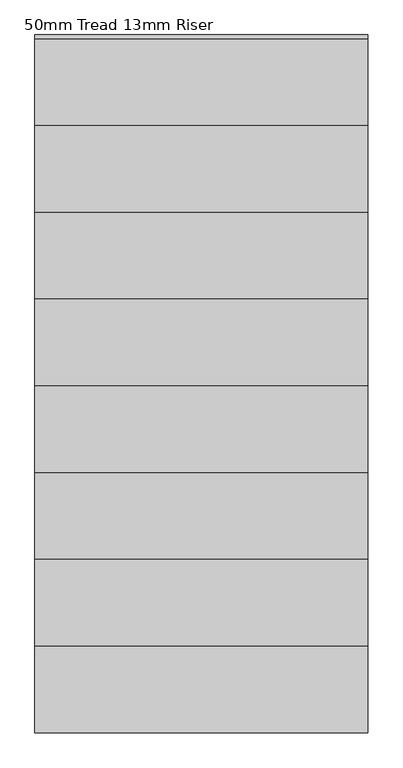
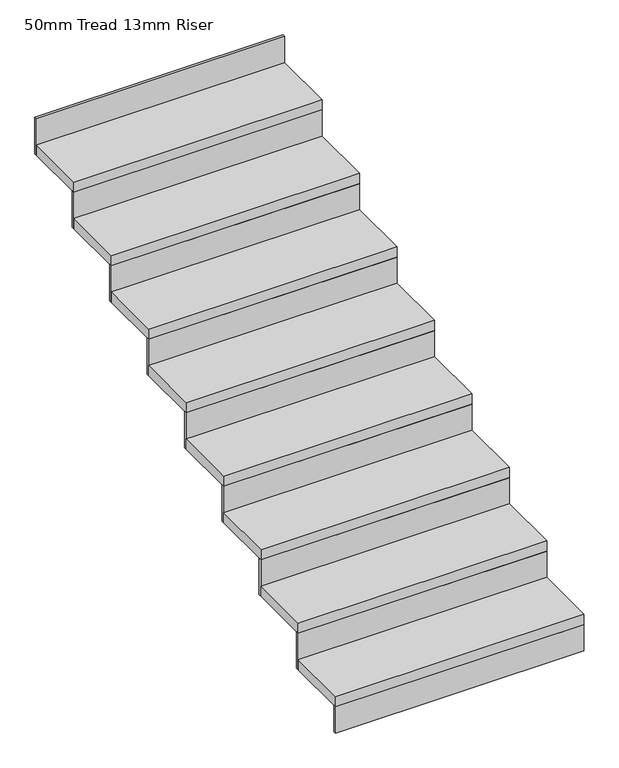
"""IFC4 building model written with IfcOpenShell, lengths in millimetres: stair flight geometry, 50mm Tread 13mm Riser."""

from ifc_helpers import new_model, si_unit, frame, origin, place, context, project, spatial, polyline, outline, extrude, source, transform, mapped, element, save


def stair_flight_50mm_tread_13mm_riser_401b6e1f(model_context):
    return source(origin(), model_context, "Body", "SweptSolid", [
        extrude(outline(polyline([(1545.5456242, -11461.1525014), (1545.5456242, -11473.6525014), (395.5456243, -11473.6525014), (395.5456243, -11461.1525014), (1545.5456242, -11461.1525014)])), frame((0.0, 0.0, -3200.0), z_axis=(0.0, 0.0, 1.0), x_axis=(1.0, 0.0, 0.0)), (0.0, 0.0, 1.0), 127.7777778),
        extrude(outline(polyline([(395.5456243, -11173.6525014), (1545.5456242, -11173.6525014), (1545.5456242, -11473.6525014), (395.5456243, -11473.6525014), (395.5456243, -11173.6525014)])), frame((0.0, 0.0, -3072.2222222), z_axis=(0.0, 0.0, 1.0), x_axis=(1.0, 0.0, 0.0)), (0.0, 0.0, 1.0), 50.0),
        extrude(outline(polyline([(1545.5456242, -11161.1525014), (1545.5456242, -11173.6525014), (395.5456243, -11173.6525014), (395.5456243, -11161.1525014), (1545.5456242, -11161.1525014)])), frame((0.0, 0.0, -3072.2222222), z_axis=(0.0, 0.0, 1.0), x_axis=(1.0, 0.0, 0.0)), (0.0, 0.0, 1.0), 177.7777778),
        extrude(outline(polyline([(395.5456243, -10873.6525014), (1545.5456242, -10873.6525014), (1545.5456242, -11173.6525014), (395.5456243, -11173.6525014), (395.5456243, -10873.6525014)])), frame((0.0, 0.0, -2894.4444444), z_axis=(0.0, 0.0, 1.0), x_axis=(1.0, 0.0, 0.0)), (0.0, 0.0, 1.0), 50.0),
        extrude(outline(polyline([(1545.5456242, -10861.1525014), (1545.5456242, -10873.6525014), (395.5456243, -10873.6525014), (395.5456243, -10861.1525014), (1545.5456242, -10861.1525014)])), frame((0.0, 0.0, -2894.4444444), z_axis=(0.0, 0.0, 1.0), x_axis=(1.0, 0.0, 0.0)), (0.0, 0.0, 1.0), 177.7777778),
        extrude(outline(polyline([(395.5456243, -10573.6525014), (1545.5456242, -10573.6525014), (1545.5456242, -10873.6525014), (395.5456243, -10873.6525014), (395.5456243, -10573.6525014)])), frame((0.0, 0.0, -2716.6666667), z_axis=(0.0, 0.0, 1.0), x_axis=(1.0, 0.0, 0.0)), (0.0, 0.0, 1.0), 50.0),
        extrude(outline(polyline([(1545.5456242, -10561.1525014), (1545.5456242, -10573.6525014), (395.5456243, -10573.6525014), (395.5456243, -10561.1525014), (1545.5456242, -10561.1525014)])), frame((0.0, 0.0, -2716.6666667), z_axis=(0.0, 0.0, 1.0), x_axis=(1.0, 0.0, 0.0)), (0.0, 0.0, 1.0), 177.7777778),
        extrude(outline(polyline([(395.5456243, -10273.6525014), (1545.5456242, -10273.6525014), (1545.5456242, -10573.6525014), (395.5456243, -10573.6525014), (395.5456243, -10273.6525014)])), frame((0.0, 0.0, -2538.8888889), z_axis=(0.0, 0.0, 1.0), x_axis=(1.0, 0.0, 0.0)), (0.0, 0.0, 1.0), 50.0),
        extrude(outline(polyline([(1545.5456242, -10261.1525014), (1545.5456242, -10273.6525014), (395.5456243, -10273.6525014), (395.5456243, -10261.1525014), (1545.5456242, -10261.1525014)])), frame((0.0, 0.0, -2538.8888889), z_axis=(0.0, 0.0, 1.0), x_axis=(1.0, 0.0, 0.0)), (0.0, 0.0, 1.0), 177.7777778),
        extrude(outline(polyline([(395.5456243, -9973.6525014), (1545.5456242, -9973.6525014), (1545.5456242, -10273.6525014), (395.5456243, -10273.6525014), (395.5456243, -9973.6525014)])), frame((0.0, 0.0, -2361.1111111), z_axis=(0.0, 0.0, 1.0), x_axis=(1.0, 0.0, 0.0)), (0.0, 0.0, 1.0), 50.0),
        extrude(outline(polyline([(1545.5456242, -9961.1525014), (1545.5456242, -9973.6525014), (395.5456243, -9973.6525014), (395.5456243, -9961.1525014), (1545.5456242, -9961.1525014)])), frame((0.0, 0.0, -2361.1111111), z_axis=(0.0, 0.0, 1.0), x_axis=(1.0, 0.0, 0.0)), (0.0, 0.0, 1.0), 177.7777778),
        extrude(outline(polyline([(395.5456243, -9673.6525014), (1545.5456242, -9673.6525014), (1545.5456242, -9973.6525014), (395.5456243, -9973.6525014), (395.5456243, -9673.6525014)])), frame((0.0, 0.0, -2183.3333333), z_axis=(0.0, 0.0, 1.0), x_axis=(1.0, 0.0, 0.0)), (0.0, 0.0, 1.0), 50.0),
        extrude(outline(polyline([(1545.5456242, -9661.1525014), (1545.5456242, -9673.6525014), (395.5456243, -9673.6525014), (395.5456243, -9661.1525014), (1545.5456242, -9661.1525014)])), frame((0.0, 0.0, -2183.3333333), z_axis=(0.0, 0.0, 1.0), x_axis=(1.0, 0.0, 0.0)), (0.0, 0.0, 1.0), 177.7777778),
        extrude(outline(polyline([(395.5456243, -9373.6525014), (1545.5456242, -9373.6525014), (1545.5456242, -9673.6525014), (395.5456243, -9673.6525014), (395.5456243, -9373.6525014)])), frame((0.0, 0.0, -2005.5555556), z_axis=(0.0, 0.0, 1.0), x_axis=(1.0, 0.0, 0.0)), (0.0, 0.0, 1.0), 50.0),
        extrude(outline(polyline([(1545.5456242, -9361.1525014), (1545.5456242, -9373.6525014), (395.5456243, -9373.6525014), (395.5456243, -9361.1525014), (1545.5456242, -9361.1525014)])), frame((0.0, 0.0, -2005.5555556), z_axis=(0.0, 0.0, 1.0), x_axis=(1.0, 0.0, 0.0)), (0.0, 0.0, 1.0), 177.7777778),
        extrude(outline(polyline([(1545.5456242, -9061.1525014), (1545.5456242, -9073.6525014), (395.5456243, -9073.6525014), (395.5456243, -9061.1525014), (1545.5456242, -9061.1525014)])), frame((0.0, 0.0, -1827.7777778), z_axis=(0.0, 0.0, 1.0), x_axis=(1.0, 0.0, 0.0)), (0.0, 0.0, 1.0), 177.7777778),
        extrude(outline(polyline([(395.5456243, -9073.6525014), (1545.5456242, -9073.6525014), (1545.5456242, -9373.6525014), (395.5456243, -9373.6525014), (395.5456243, -9073.6525014)])), frame((0.0, 0.0, -1827.7777778), z_axis=(0.0, 0.0, 1.0), x_axis=(1.0, 0.0, 0.0)), (0.0, 0.0, 1.0), 50.0),
    ])


if __name__ == "__main__":
    model = new_model("IFC4")
    model_context = context("Model", 3, world=origin())
    ifc_project = project(units=[si_unit("LENGTHUNIT", "METRE", prefix="MILLI")], contexts=[model_context])
    site = spatial("IfcSite", under=ifc_project)
    building = spatial("IfcBuilding", under=site)
    placement = place(None, origin())
    stair_flight_50mm_tread_13mm_riser_shape = stair_flight_50mm_tread_13mm_riser_401b6e1f(model_context)
    element("IfcStairFlight", 1, ObjectType="50mm Tread 13mm Riser", at=placement, inside=building, context=model_context, shape_type="MappedRepresentation", body=[
        mapped(stair_flight_50mm_tread_13mm_riser_shape, transform((0.0, 0.0, 0.0), x_axis=(1.0, 0.0, 0.0), y_axis=(0.0, 1.0, 0.0), z_axis=(0.0, 0.0, 1.0))),
    ])
    save(model, "model.ifc")
